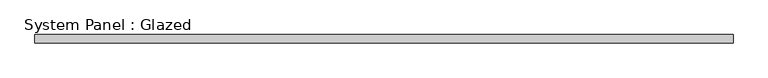
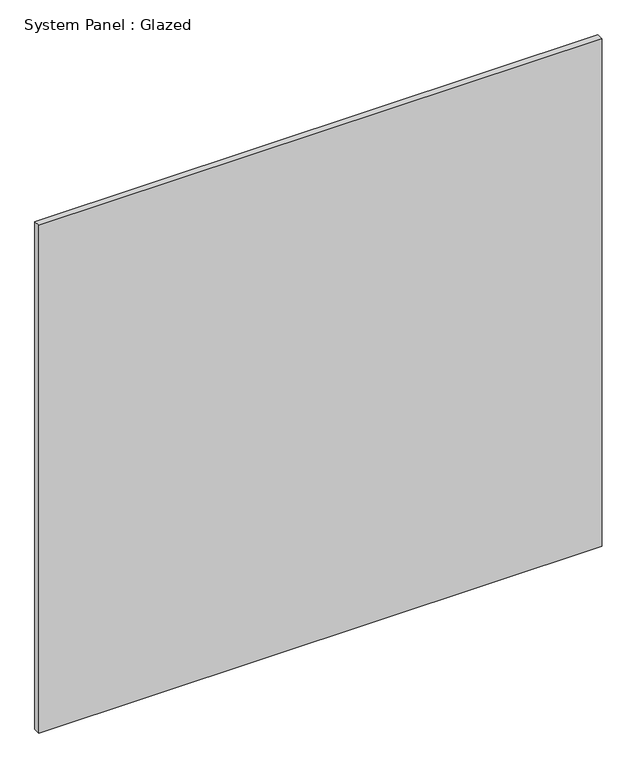
"""IFC4 building model written with IfcOpenShell, lengths in millimetres: plate geometry, System Panel : Glazed."""

from ifc_helpers import new_model, si_unit, origin, origin_with_axes, place, context, project, spatial, polyline, outline, extrude, source, transform, mapped, element, save


def system_panel_glazed_6dd8b5ef(model_context):
    return source(origin(), model_context, "Body", "SweptSolid", [
        extrude(outline(polyline([(1050.0, 24.5), (-1050.0, 24.5), (-1050.0, 49.5), (1050.0, 49.5), (1050.0, 24.5)])), origin_with_axes(), (0.0, 0.0, 1.0), 2000.0),
    ])


if __name__ == "__main__":
    model = new_model("IFC4")
    model_context = context("Model", 3, world=origin())
    ifc_project = project(units=[si_unit("LENGTHUNIT", "METRE", prefix="MILLI")], contexts=[model_context])
    site = spatial("IfcSite", under=ifc_project)
    building = spatial("IfcBuilding", under=site)
    placement = place(None, origin())
    system_panel_glazed_shape = system_panel_glazed_6dd8b5ef(model_context)
    element("IfcPlate", 1, ObjectType="System Panel : Glazed", at=placement, inside=building, context=model_context, shape_type="MappedRepresentation", body=[
        mapped(system_panel_glazed_shape, transform((0.0, 0.0, 0.0), x_axis=(1.0, 0.0, 0.0), y_axis=(0.0, 1.0, 0.0), z_axis=(0.0, 0.0, 1.0))),
    ])
    save(model, "model.ifc")
